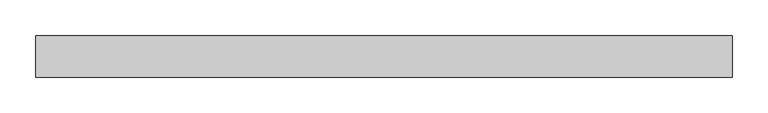
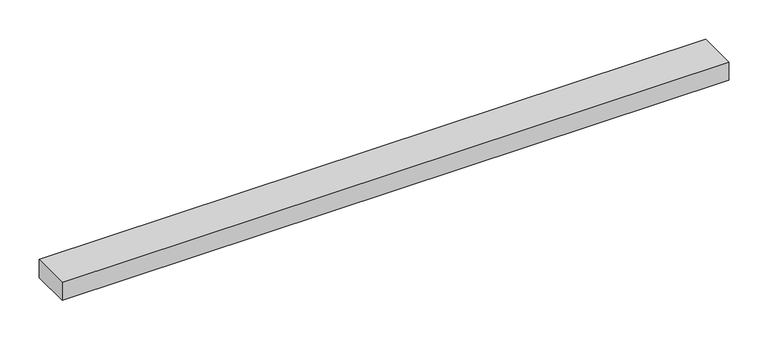
"""IFC4 building model written with IfcOpenShell, lengths in millimetres: proxy geometry."""

from ifc_helpers import new_model, si_unit, frame, origin, place, context, project, spatial, polyline, outline, extrude, source, transform, mapped, element, save


def specialty_equipment_48b4e2ac(model_context):
    return source(origin(), model_context, "Body", "SweptSolid", [
        extrude(outline(polyline([(-488.95, 29.2199219), (488.95, 29.2199219), (488.95, -29.2199219), (-488.95, -29.2199219), (-488.95, 29.2199219)])), frame((0.0, 0.0, -13.9898438), z_axis=(0.0, 0.0, 1.0), x_axis=(1.0, 0.0, 0.0)), (0.0, 0.0, 1.0), 27.9796875),
    ])


if __name__ == "__main__":
    model = new_model("IFC4")
    model_context = context("Model", 3, world=origin())
    ifc_project = project(units=[si_unit("LENGTHUNIT", "METRE", prefix="MILLI")], contexts=[model_context])
    site = spatial("IfcSite", under=ifc_project)
    building = spatial("IfcBuilding", under=site)
    placement = place(None, origin())
    specialty_equipment_shape = specialty_equipment_48b4e2ac(model_context)
    element("IfcBuildingElementProxy", 1, Name="Specialty Equipment", at=placement, inside=building, context=model_context, shape_type="MappedRepresentation", body=[
        mapped(specialty_equipment_shape, transform((0.0, 0.0, 0.0), x_axis=(1.0, 0.0, 0.0), y_axis=(0.0, 1.0, 0.0), z_axis=(0.0, 0.0, 1.0))),
    ])
    save(model, "model.ifc")
